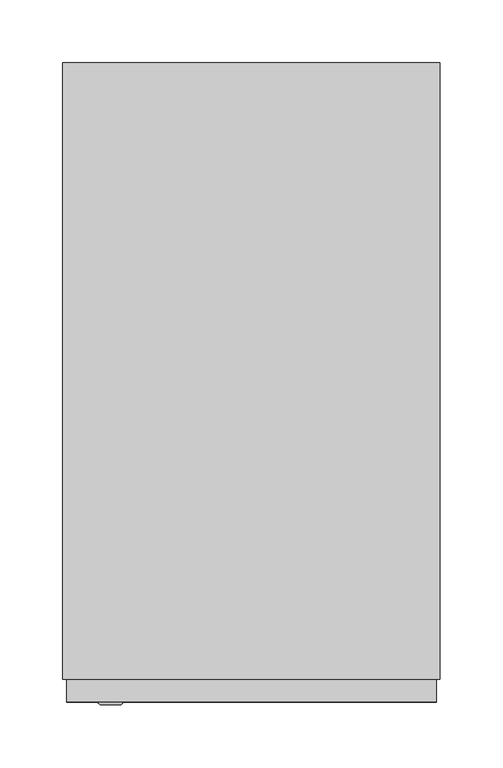
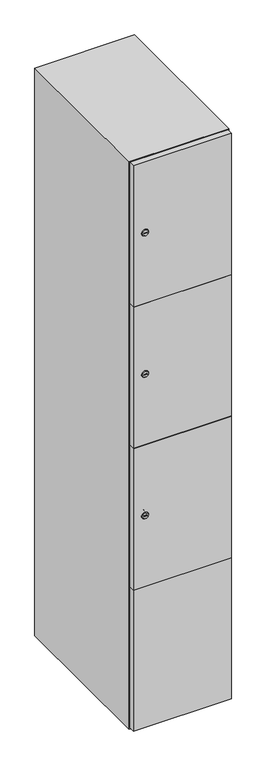
"""IFC4 building model written with IfcOpenShell, lengths in millimetres: furniture geometry."""

import ifcopenshell
import ifcopenshell.guid

model = None  # the IFC model being written
_history = None  # IfcOwnerHistory: only IFC2X3 demands one
_inside = {}  # id of a spatial element -> (the spatial element, [elements in it])
_under = {}  # id of a project, library or spatial element -> (it, [spatial elements below it])
_declared = {}  # id of a project -> (the project, [libraries it declares])
_typed = {}  # id of a type object -> (the type object, [elements of that type])
_made_of = {}  # id of a material, layer set ... -> (it, [elements and type objects made of it])


def new_model(schema):
    """Start an empty IFC model of exactly this schema.

    Asked for "IFC4X3", IfcOpenShell would pick the latest addendum, in which some entities
    have other attributes; the version numbers below select the first issue.
    IFC2X3 requires an IfcOwnerHistory on every rooted entity: one is made here for all.
    """
    global model, _history
    if schema == "IFC4X3":
        model = ifcopenshell.file(schema_version=(4, 3, 0, 0))
    else:
        model = ifcopenshell.file(schema=schema)
    _inside.clear()
    _under.clear()
    _declared.clear()
    _typed.clear()
    _made_of.clear()
    _history = None
    if model.schema == "IFC2X3":
        org = make("IfcOrganization", Name="unknown")
        user = make(
            "IfcPersonAndOrganization",
            ThePerson=make("IfcPerson", FamilyName="unknown"),
            TheOrganization=org,
        )
        app = make(
            "IfcApplication",
            ApplicationDeveloper=org,
            Version="unknown",
            ApplicationFullName="unknown",
            ApplicationIdentifier="unknown",
        )
        _history = make(
            "IfcOwnerHistory",
            OwningUser=user,
            OwningApplication=app,
            ChangeAction="ADDED",
            CreationDate=0,
        )
    return model


def make(cls, **values):
    """One entity of the class cls with the attributes given. An attribute that is None is left unset."""
    return model.create_entity(
        cls, **{name: value for name, value in values.items() if value is not None}
    )


def rooted(cls, **values):
    """An entity with a GlobalId (a new one), such as an element, a storey or a relation."""
    return make(cls, GlobalId=ifcopenshell.guid.new(), OwnerHistory=_history, **values)


def si_unit(unit_type, name, prefix=None):
    """IfcSIUnit, for example si_unit("LENGTHUNIT", "METRE", prefix="MILLI")."""
    return make("IfcSIUnit", UnitType=unit_type, Prefix=prefix, Name=name)


def assignment(units):
    """IfcUnitAssignment: the units of a project."""
    return None if units is None else make("IfcUnitAssignment", Units=units)


def point(xyz):
    """IfcCartesianPoint."""
    return None if xyz is None else make("IfcCartesianPoint", Coordinates=xyz)


def direction(xyz):
    """IfcDirection."""
    return None if xyz is None else make("IfcDirection", DirectionRatios=xyz)


def frame(location, z_axis=None, x_axis=None):
    """IfcAxis2Placement3D, a coordinate frame: its origin and axes. An axis left out is left unset."""
    return make(
        "IfcAxis2Placement3D",
        Location=point(location),
        Axis=direction(z_axis),
        RefDirection=direction(x_axis),
    )


def frame_2d(location, x_axis=None):
    """IfcAxis2Placement2D, a coordinate frame in the plane: its origin and x axis."""
    return make(
        "IfcAxis2Placement2D", Location=point(location), RefDirection=direction(x_axis)
    )


def origin():
    """The frame at (0, 0, 0) with its axes left unset."""
    return frame((0.0, 0.0, 0.0))


def place(relative_to, where):
    """IfcLocalPlacement: puts the frame where relative to a parent placement (None: the world)."""
    return make(
        "IfcLocalPlacement", PlacementRelTo=relative_to, RelativePlacement=where
    )


def context(
    kind, dimensions, precision=None, world=None, true_north=None, identifier=None
):
    """IfcGeometricRepresentationContext, for example the 3D "Model" context."""
    return make(
        "IfcGeometricRepresentationContext",
        ContextIdentifier=identifier,
        ContextType=kind,
        CoordinateSpaceDimension=dimensions,
        Precision=precision,
        WorldCoordinateSystem=world,
        TrueNorth=true_north,
    )


def project(units=None, contexts=None):
    """IfcProject with its units and contexts."""
    return rooted(
        "IfcProject",
        Name="project",
        RepresentationContexts=contexts,
        UnitsInContext=assignment(units),
    )


def spatial(cls, under=None, at=None, **own):
    """A site, building, storey or space (cls), placed at a placement, below another one or the project."""
    s = rooted(cls, ObjectPlacement=at, **own)
    if under is not None:
        _under.setdefault(under.id(), (under, []))[1].append(s)
    return s


def polyline(points):
    """IfcPolyline through the points."""
    return make("IfcPolyline", Points=[point(p) for p in points])


def circle_curve(where, radius):
    """IfcCircle in the frame where."""
    return make("IfcCircle", Position=where, Radius=radius)


def trimmed(basis, trim1, trim2, sense, master):
    """IfcTrimmedCurve: the piece of a basis curve between two trims."""
    return make(
        "IfcTrimmedCurve",
        BasisCurve=basis,
        Trim1=trim1,
        Trim2=trim2,
        SenseAgreement=sense,
        MasterRepresentation=master,
    )


def segment(curve, same_sense, transition):
    """IfcCompositeCurveSegment."""
    return make(
        "IfcCompositeCurveSegment",
        Transition=transition,
        SameSense=same_sense,
        ParentCurve=curve,
    )


def composite_curve(segments, self_intersect=None):
    """IfcCompositeCurve: segments joined end to end."""
    return make("IfcCompositeCurve", Segments=segments, SelfIntersect=self_intersect)


def outline(outer, holes=None, kind="AREA"):
    """IfcArbitraryClosedProfileDef: a profile drawn as a closed curve; with holes, ...WithVoids."""
    if holes is None:
        return make("IfcArbitraryClosedProfileDef", ProfileType=kind, OuterCurve=outer)
    return make(
        "IfcArbitraryProfileDefWithVoids",
        ProfileType=kind,
        OuterCurve=outer,
        InnerCurves=holes,
    )


def extrude(swept, where, along, depth):
    """IfcExtrudedAreaSolid: the profile swept, set in the frame where, extruded along a direction by depth."""
    return make(
        "IfcExtrudedAreaSolid",
        SweptArea=swept,
        Position=where,
        ExtrudedDirection=direction(along),
        Depth=depth,
    )


def faces_of(points, faces, orient=None, outer=None):
    """IfcFace entities. A face is a list of loops; a loop is a list of indices into points, from 0.

    orient and outer hold one flag for each loop. By default every Orientation is true, the
    first loop of a face is its IfcFaceOuterBound and the others are IfcFaceBound.
    """
    made = []
    for i, loops in enumerate(faces):
        bounds = []
        for j, loop in enumerate(loops):
            is_outer = j == 0 if outer is None else outer[i][j]
            bounds.append(
                make(
                    "IfcFaceOuterBound" if is_outer else "IfcFaceBound",
                    Bound=make("IfcPolyLoop", Polygon=[points[k] for k in loop]),
                    Orientation=True if orient is None else orient[i][j],
                )
            )
        made.append(make("IfcFace", Bounds=bounds))
    return made


def faceted_brep(points, faces, orient=None, outer=None, voids=None):
    """IfcFacetedBrep: a solid bounded by flat faces; with voids (closed shells), ...WithVoids."""
    shared = [point(p) for p in points]
    hull = make("IfcClosedShell", CfsFaces=faces_of(shared, faces, orient, outer))
    if voids is None:
        return make("IfcFacetedBrep", Outer=hull)
    return make(
        "IfcFacetedBrepWithVoids",
        Outer=hull,
        Voids=[
            make(cls, CfsFaces=faces_of(shared, fs, o, b)) for cls, fs, o, b in voids
        ],
    )


def shape(context_of_items, identifier, shape_type, items):
    """IfcShapeRepresentation: the items that make up one representation, for example the "Body"."""
    return make(
        "IfcShapeRepresentation",
        ContextOfItems=context_of_items,
        RepresentationIdentifier=identifier,
        RepresentationType=shape_type,
        Items=items,
    )


def source(mapping_origin, context_of_items, identifier, shape_type, items):
    """IfcRepresentationMap: a shape defined once, which mapped items show again and again."""
    return make(
        "IfcRepresentationMap",
        MappingOrigin=mapping_origin,
        MappedRepresentation=shape(context_of_items, identifier, shape_type, items),
    )


def transform(
    local_origin,
    x_axis=None,
    y_axis=None,
    z_axis=None,
    scale=None,
    scale2=None,
    scale3=None,
    uniform=True,
):
    """IfcCartesianTransformationOperator3D, or its non-uniform kind. x_axis, y_axis, z_axis: its Axis1, 2, 3."""
    if uniform:
        return make(
            "IfcCartesianTransformationOperator3D",
            Axis1=direction(x_axis),
            Axis2=direction(y_axis),
            LocalOrigin=point(local_origin),
            Scale=scale,
            Axis3=direction(z_axis),
        )
    return make(
        "IfcCartesianTransformationOperator3DnonUniform",
        Axis1=direction(x_axis),
        Axis2=direction(y_axis),
        LocalOrigin=point(local_origin),
        Scale=scale,
        Axis3=direction(z_axis),
        Scale2=scale2,
        Scale3=scale3,
    )


def mapped(mapping_source, mapping_target):
    """IfcMappedItem: shows the shape of a source again, moved by a transform."""
    return make(
        "IfcMappedItem", MappingSource=mapping_source, MappingTarget=mapping_target
    )


def made_of(thing, what):
    """Note that an element or type object is made of a material, layer set ...; save() writes the relation."""
    if what is not None:
        _made_of.setdefault(what.id(), (what, []))[1].append(thing)
    return thing


def element(
    cls,
    number,
    at=None,
    inside=None,
    cuts=None,
    type_object=None,
    material=None,
    context=None,
    identifier="Body",
    shape_type=None,
    held_by="IfcProductDefinitionShape",
    body=None,
    shapes=None,
    **own,
):
    """One element of the class cls, such as IfcWall. Its Tag is "e" and its number.

    at: its placement. inside: the storey or other place that contains it. cuts: it is an
    opening in that element (IfcRelVoidsElement). A single representation is given by context,
    identifier, shape_type and body (its items); several are given by shapes. held_by: the class
    of the entity that holds the representations. save() writes the other relations.
    """
    e = rooted(cls, Tag="e%d" % number, ObjectPlacement=at, **own)
    if body is not None:
        shapes = [shape(context, identifier, shape_type, body)]
    if shapes is not None:
        e.Representation = make(held_by, Representations=shapes)
    if inside is not None:
        _inside.setdefault(inside.id(), (inside, []))[1].append(e)
    if cuts is not None:
        rooted(
            "IfcRelVoidsElement", RelatingBuildingElement=cuts, RelatedOpeningElement=e
        )
    if type_object is not None:
        _typed.setdefault(type_object.id(), (type_object, []))[1].append(e)
    return made_of(e, material)


def aggregate(whole, parts):
    """IfcRelAggregates: a whole, such as a stair, and the parts it consists of."""
    return rooted("IfcRelAggregates", RelatingObject=whole, RelatedObjects=parts)


def save(model, path):
    """Write the relations noted so far, then the file.

    IfcRelAggregates (storeys below a building ...), IfcRelContainedInSpatialStructure (elements
    in a storey), IfcRelDefinesByType, IfcRelAssociatesMaterial and IfcRelDeclares: one each for
    every whole, place, type object, material and project.
    """
    for whole, parts in _under.values():
        aggregate(whole, parts)
    for where, things in _inside.values():
        rooted(
            "IfcRelContainedInSpatialStructure",
            RelatedElements=things,
            RelatingStructure=where,
        )
    for kind, things in _typed.values():
        rooted("IfcRelDefinesByType", RelatedObjects=things, RelatingType=kind)
    for what, things in _made_of.values():
        rooted("IfcRelAssociatesMaterial", RelatedObjects=things, RelatingMaterial=what)
    for by, libraries in _declared.values():
        rooted("IfcRelDeclares", RelatingContext=by, RelatedDefinitions=libraries)
    model.write(path)


def plane_surface(at):
    """IfcPlane: the flat surface through the origin of the frame at, square to its z axis."""
    return make("IfcPlane", Position=at)


def revolved_surface(curve, axis_point, axis_direction):
    """IfcSurfaceOfRevolution: the curve turned about the line through axis_point along axis_direction."""
    return make(
        "IfcSurfaceOfRevolution",
        SweptCurve=make("IfcArbitraryOpenProfileDef", ProfileType="CURVE", Curve=curve),
        AxisPosition=make("IfcAxis1Placement", Location=point(axis_point), Axis=direction(axis_direction)),
    )


def advanced_brep(points, edges, surfaces, faces):
    """IfcAdvancedBrep: a solid bounded by faces that lie on surfaces and meet in shared edges.

    An edge is (start, end): straight between two places in points (the first is 0);
    or (start, end, curve); or (start, end, curve, False) where it runs against its curve.
    A face is (place in surfaces, loops), or (place, loops, False) where it looks against
    its surface's normal. A loop lists edges by number (the first is 1), with a minus sign
    where the edge is run from its end to its start. The first loop is the outer one.
    """
    corners = [point(p) for p in points]
    vertices = [make("IfcVertexPoint", VertexGeometry=c) for c in corners]
    made = []
    for start, end, *more in edges:
        made.append(
            make(
                "IfcEdgeCurve",
                EdgeStart=vertices[start],
                EdgeEnd=vertices[end],
                EdgeGeometry=more[0] if more else make("IfcPolyline", Points=[corners[start], corners[end]]),
                SameSense=more[1] if len(more) > 1 else True,
            )
        )
    hull = []
    for where, loops, *sense in faces:
        bounds = []
        for j, loop in enumerate(loops):
            ring = [make("IfcOrientedEdge", EdgeElement=made[abs(k) - 1], Orientation=k > 0) for k in loop]
            bounds.append(
                make(
                    "IfcFaceOuterBound" if j == 0 else "IfcFaceBound",
                    Bound=make("IfcEdgeLoop", EdgeList=ring),
                    Orientation=True,
                )
            )
        hull.append(make("IfcAdvancedFace", Bounds=bounds, FaceSurface=surfaces[where], SameSense=sense[0] if sense else True))
    return make("IfcAdvancedBrep", Outer=make("IfcClosedShell", CfsFaces=hull))


def furniture_09066967(model_context):
    return source(origin(), model_context, "Body", "SolidModel", [
        extrude(outline(composite_curve([segment(trimmed(circle_curve(frame_2d((710.75, -188.7989466)), 7.0), [point((717.75, -188.7989466))], [point((703.75, -188.7989466))], False, "CARTESIAN"), True, "CONTINUOUS"), segment(polyline([(703.75, -188.7989466), (703.75, -160.7989466)]), True, "CONTINUOUS"), segment(trimmed(circle_curve(frame_2d((710.75, -160.7989466)), 7.0), [point((703.75, -160.7989466))], [point((717.75, -160.7989466))], False, "CARTESIAN"), True, "CONTINUOUS"), segment(polyline([(717.75, -160.7989466), (717.75, -188.7989466)]), True, "CONTINUOUS")], self_intersect=False)), frame((0.0, -245.0, 0.0), z_axis=(0.0, 1.0, 0.0), x_axis=(0.0, 0.0, 1.0)), (0.0, 0.0, 1.0), 2.0),
        advanced_brep(
        [(-153.5, -265.2, 710.75), (-170.5, -265.2, 710.75), (-167.0, -265.2, 709.5), (-167.0, -265.2, 712.0), (-157.0, -265.2, 712.0), (-157.0, -265.2, 709.5), (-151.5, -263.0, 710.75), (-172.5, -263.0, 710.75), (-167.0, -263.0, 712.0), (-167.0, -263.0, 709.5), (-157.0, -263.0, 709.5), (-157.0, -263.0, 712.0)],
        [
            (0, 1, circle_curve(frame((-162.0, -265.2, 710.75), z_axis=(0.0, -1.0, 0.0), x_axis=(1.0, 0.0, 0.0)), 8.5)),
            (1, 0, circle_curve(frame((-162.0, -265.2, 710.75), z_axis=(0.0, -1.0, 0.0), x_axis=(-1.0, 0.0, 0.0)), 8.5)),
            (2, 3),
            (3, 4),
            (4, 5),
            (5, 2),
            (6, 7, circle_curve(frame((-162.0, -263.0, 710.75), z_axis=(0.0, 1.0, 0.0), x_axis=(-1.0, 0.0, 0.0)), 10.5)),
            (7, 6, circle_curve(frame((-162.0, -263.0, 710.75), z_axis=(0.0, 1.0, 0.0), x_axis=(1.0, 0.0, 0.0)), 10.5)),
            (8, 9),
            (9, 10),
            (10, 11),
            (11, 8),
            (0, 6),
            (7, 1),
            (8, 3),
            (2, 9),
            (11, 4),
            (10, 5),
        ],
        [
            plane_surface(frame((-162.0, -265.2, 710.75), z_axis=(0.0, -1.0, 0.0), x_axis=(0.0, 0.0, 1.0))),
            plane_surface(frame((-162.0, -263.0, 710.75), z_axis=(0.0, 1.0, 0.0), x_axis=(0.0, 0.0, 1.0))),
            revolved_surface(polyline([(-153.5, -265.2, 710.75), (-151.5, -263.0, 710.75)]), (-162.0, -274.55, 710.75), (0.0, 1.0, 0.0)),
            revolved_surface(polyline([(-170.5, -265.2, 710.75), (-172.5, -263.0, 710.75)]), (-162.0, -274.55, 710.75), (0.0, 1.0, 0.0)),
            plane_surface(frame((-167.0, -263.0, 709.5), z_axis=(1.0, 0.0, 0.0), x_axis=(0.0, -1.0, 0.0))),
            plane_surface(frame((-167.0, -263.0, 712.0), z_axis=(0.0, 0.0, -1.0), x_axis=(0.0, -1.0, 0.0))),
            plane_surface(frame((-157.0, -263.0, 712.0), z_axis=(-1.0, 0.0, 0.0), x_axis=(0.0, -1.0, 0.0))),
            plane_surface(frame((-157.0, -263.0, 709.5), z_axis=(0.0, 0.0, 1.0), x_axis=(0.0, -1.0, 0.0))),
        ],
        [
            (0, [[1, 2], [3, 4, 5, 6]]),
            (1, [[7, 8], [9, 10, 11, 12]]),
            (2, [[-1, 13, -8, 14]]),
            (3, [[-2, -14, -7, -13]]),
            (4, [[15, -3, 16, -9]]),
            (5, [[-15, -12, 17, -4]]),
            (6, [[-17, -11, 18, -5]]),
            (7, [[-16, -6, -18, -10]]),
        ],
    ),
        extrude(outline(composite_curve([segment(trimmed(circle_curve(frame_2d((1159.25, -188.7989466)), 7.0), [point((1166.25, -188.7989466))], [point((1152.25, -188.7989466))], False, "CARTESIAN"), True, "CONTINUOUS"), segment(polyline([(1152.25, -188.7989466), (1152.25, -160.7989466)]), True, "CONTINUOUS"), segment(trimmed(circle_curve(frame_2d((1159.25, -160.7989466)), 7.0), [point((1152.25, -160.7989466))], [point((1166.25, -160.7989466))], False, "CARTESIAN"), True, "CONTINUOUS"), segment(polyline([(1166.25, -160.7989466), (1166.25, -188.7989466)]), True, "CONTINUOUS")], self_intersect=False)), frame((0.0, -245.0, 0.0), z_axis=(0.0, 1.0, 0.0), x_axis=(0.0, 0.0, 1.0)), (0.0, 0.0, 1.0), 2.0),
        advanced_brep(
        [(-153.5, -265.2, 1159.25), (-170.5, -265.2, 1159.25), (-167.0, -265.2, 1158.0), (-167.0, -265.2, 1160.5), (-157.0, -265.2, 1160.5), (-157.0, -265.2, 1158.0), (-151.5, -263.0, 1159.25), (-172.5, -263.0, 1159.25), (-167.0, -263.0, 1160.5), (-167.0, -263.0, 1158.0), (-157.0, -263.0, 1158.0), (-157.0, -263.0, 1160.5)],
        [
            (0, 1, circle_curve(frame((-162.0, -265.2, 1159.25), z_axis=(0.0, -1.0, 0.0), x_axis=(1.0, 0.0, 0.0)), 8.5)),
            (1, 0, circle_curve(frame((-162.0, -265.2, 1159.25), z_axis=(0.0, -1.0, 0.0), x_axis=(-1.0, 0.0, 0.0)), 8.5)),
            (2, 3),
            (3, 4),
            (4, 5),
            (5, 2),
            (6, 7, circle_curve(frame((-162.0, -263.0, 1159.25), z_axis=(0.0, 1.0, 0.0), x_axis=(-1.0, 0.0, 0.0)), 10.5)),
            (7, 6, circle_curve(frame((-162.0, -263.0, 1159.25), z_axis=(0.0, 1.0, 0.0), x_axis=(1.0, 0.0, 0.0)), 10.5)),
            (8, 9),
            (9, 10),
            (10, 11),
            (11, 8),
            (0, 6),
            (7, 1),
            (8, 3),
            (2, 9),
            (11, 4),
            (10, 5),
        ],
        [
            plane_surface(frame((-162.0, -265.2, 1159.25), z_axis=(0.0, -1.0, 0.0), x_axis=(0.0, 0.0, 1.0))),
            plane_surface(frame((-162.0, -263.0, 1159.25), z_axis=(0.0, 1.0, 0.0), x_axis=(0.0, 0.0, 1.0))),
            revolved_surface(polyline([(-153.5, -265.2, 1159.25), (-151.5, -263.0, 1159.25)]), (-162.0, -274.55, 1159.25), (0.0, 1.0, 0.0)),
            revolved_surface(polyline([(-170.5, -265.2, 1159.25), (-172.5, -263.0, 1159.25)]), (-162.0, -274.55, 1159.25), (0.0, 1.0, 0.0)),
            plane_surface(frame((-167.0, -263.0, 1158.0), z_axis=(1.0, 0.0, 0.0), x_axis=(0.0, -1.0, 0.0))),
            plane_surface(frame((-167.0, -263.0, 1160.5), z_axis=(0.0, 0.0, -1.0), x_axis=(0.0, -1.0, 0.0))),
            plane_surface(frame((-157.0, -263.0, 1160.5), z_axis=(-1.0, 0.0, 0.0), x_axis=(0.0, -1.0, 0.0))),
            plane_surface(frame((-157.0, -263.0, 1158.0), z_axis=(0.0, 0.0, 1.0), x_axis=(0.0, -1.0, 0.0))),
        ],
        [
            (0, [[1, 2], [3, 4, 5, 6]]),
            (1, [[7, 8], [9, 10, 11, 12]]),
            (2, [[-1, 13, -8, 14]]),
            (3, [[-2, -14, -7, -13]]),
            (4, [[15, -3, 16, -9]]),
            (5, [[-15, -12, 17, -4]]),
            (6, [[-17, -11, 18, -5]]),
            (7, [[-16, -6, -18, -10]]),
        ],
    ),
        extrude(outline(composite_curve([segment(trimmed(circle_curve(frame_2d((1607.75, -188.7989466)), 7.0), [point((1614.75, -188.7989466))], [point((1600.75, -188.7989466))], False, "CARTESIAN"), True, "CONTINUOUS"), segment(polyline([(1600.75, -188.7989466), (1600.75, -160.7989466)]), True, "CONTINUOUS"), segment(trimmed(circle_curve(frame_2d((1607.75, -160.7989466)), 7.0), [point((1600.75, -160.7989466))], [point((1614.75, -160.7989466))], False, "CARTESIAN"), True, "CONTINUOUS"), segment(polyline([(1614.75, -160.7989466), (1614.75, -188.7989466)]), True, "CONTINUOUS")], self_intersect=False)), frame((0.0, -245.0, 0.0), z_axis=(0.0, 1.0, 0.0), x_axis=(0.0, 0.0, 1.0)), (0.0, 0.0, 1.0), 2.0),
        advanced_brep(
        [(-153.5, -265.2, 1607.75), (-170.5, -265.2, 1607.75), (-167.0, -265.2, 1606.5), (-167.0, -265.2, 1609.0), (-157.0, -265.2, 1609.0), (-157.0, -265.2, 1606.5), (-151.5, -263.0, 1607.75), (-172.5, -263.0, 1607.75), (-167.0, -263.0, 1609.0), (-167.0, -263.0, 1606.5), (-157.0, -263.0, 1606.5), (-157.0, -263.0, 1609.0)],
        [
            (0, 1, circle_curve(frame((-162.0, -265.2, 1607.75), z_axis=(0.0, -1.0, 0.0), x_axis=(1.0, 0.0, 0.0)), 8.5)),
            (1, 0, circle_curve(frame((-162.0, -265.2, 1607.75), z_axis=(0.0, -1.0, 0.0), x_axis=(-1.0, 0.0, 0.0)), 8.5)),
            (2, 3),
            (3, 4),
            (4, 5),
            (5, 2),
            (6, 7, circle_curve(frame((-162.0, -263.0, 1607.75), z_axis=(0.0, 1.0, 0.0), x_axis=(-1.0, 0.0, 0.0)), 10.5)),
            (7, 6, circle_curve(frame((-162.0, -263.0, 1607.75), z_axis=(0.0, 1.0, 0.0), x_axis=(1.0, 0.0, 0.0)), 10.5)),
            (8, 9),
            (9, 10),
            (10, 11),
            (11, 8),
            (0, 6),
            (7, 1),
            (8, 3),
            (2, 9),
            (11, 4),
            (10, 5),
        ],
        [
            plane_surface(frame((-162.0, -265.2, 1607.75), z_axis=(0.0, -1.0, 0.0), x_axis=(0.0, 0.0, 1.0))),
            plane_surface(frame((-162.0, -263.0, 1607.75), z_axis=(0.0, 1.0, 0.0), x_axis=(0.0, 0.0, 1.0))),
            revolved_surface(polyline([(-153.5, -265.2, 1607.75), (-151.5, -263.0, 1607.75)]), (-162.0, -274.55, 1607.75), (0.0, 1.0, 0.0)),
            revolved_surface(polyline([(-170.5, -265.2, 1607.75), (-172.5, -263.0, 1607.75)]), (-162.0, -274.55, 1607.75), (0.0, 1.0, 0.0)),
            plane_surface(frame((-167.0, -263.0, 1606.5), z_axis=(1.0, 0.0, 0.0), x_axis=(0.0, -1.0, 0.0))),
            plane_surface(frame((-167.0, -263.0, 1609.0), z_axis=(0.0, 0.0, -1.0), x_axis=(0.0, -1.0, 0.0))),
            plane_surface(frame((-157.0, -263.0, 1609.0), z_axis=(-1.0, 0.0, 0.0), x_axis=(0.0, -1.0, 0.0))),
            plane_surface(frame((-157.0, -263.0, 1606.5), z_axis=(0.0, 0.0, 1.0), x_axis=(0.0, -1.0, 0.0))),
        ],
        [
            (0, [[1, 2], [3, 4, 5, 6]]),
            (1, [[7, 8], [9, 10, 11, 12]]),
            (2, [[-1, 13, -8, 14]]),
            (3, [[-2, -14, -7, -13]]),
            (4, [[15, -3, 16, -9]]),
            (5, [[-15, -12, 17, -4]]),
            (6, [[-17, -11, 18, -5]]),
            (7, [[-16, -6, -18, -10]]),
        ],
    ),
        extrude(outline(polyline([(97.0, -245.0), (97.0, -263.0), (-197.0, -263.0), (-197.0, -245.0), (97.0, -245.0)])), frame((0.0, 0.0, 486.0), z_axis=(0.0, 0.0, 1.0), x_axis=(1.0, 0.0, 0.0)), (0.0, 0.0, 1.0), 448.5),
        extrude(outline(polyline([(97.0, -245.0), (97.0, -263.0), (-197.0, -263.0), (-197.0, -245.0), (97.0, -245.0)])), frame((0.0, 0.0, 935.5), z_axis=(0.0, 0.0, 1.0), x_axis=(1.0, 0.0, 0.0)), (0.0, 0.0, 1.0), 447.5),
        extrude(outline(polyline([(-197.0, -263.0), (-197.0, -245.0), (97.0, -245.0), (97.0, -263.0), (-197.0, -263.0)])), frame((0.0, 0.0, 1384.0), z_axis=(0.0, 0.0, 1.0), x_axis=(1.0, 0.0, 0.0)), (0.0, 0.0, 1.0), 448.0),
        extrude(outline(polyline([(97.0, -245.0), (97.0, -263.0), (-197.0, -263.0), (-197.0, -245.0), (97.0, -245.0)])), frame((0.0, 0.0, 38.0), z_axis=(0.0, 0.0, 1.0), x_axis=(1.0, 0.0, 0.0)), (0.0, 0.0, 1.0), 449.0),
        extrude(outline(polyline([(79.6, 242.0), (79.6, -227.0), (-179.6, -227.0), (-179.6, 242.0), (79.6, 242.0)])), frame((0.0, 0.0, 1359.7), z_axis=(0.0, 0.0, 1.0), x_axis=(1.0, 0.0, 0.0)), (0.0, 0.0, 1.0), 20.4),
        extrude(outline(polyline([(79.6, 242.0), (79.6, -227.0), (-179.6, -227.0), (-179.6, 242.0), (79.6, 242.0)])), frame((0.0, 0.0, 924.8), z_axis=(0.0, 0.0, 1.0), x_axis=(1.0, 0.0, 0.0)), (0.0, 0.0, 1.0), 20.4),
        extrude(outline(polyline([(79.6, 242.0), (79.6, -227.0), (-179.6, -227.0), (-179.6, 242.0), (79.6, 242.0)])), frame((0.0, 0.0, 489.9), z_axis=(0.0, 0.0, 1.0), x_axis=(1.0, 0.0, 0.0)), (0.0, 0.0, 1.0), 20.4),
        faceted_brep([(100.0, -245.0, 35.0), (100.0, -245.0, 1835.0), (-200.0, -245.0, 1835.0), (-200.0, -245.0, 35.0), (79.6, -245.0, 1804.8), (79.6, -245.0, 65.2), (-179.6, -245.0, 65.2), (-179.6, -245.0, 1804.8), (100.0, 245.0, 35.0), (-200.0, 245.0, 35.0), (100.0, 245.0, 1835.0), (-200.0, 245.0, 1835.0), (79.6, 242.0, 1804.8), (79.6, 242.0, 65.2), (-200.0, 245.0, 1804.8), (-179.6, 242.0, 1804.8), (-179.6, 242.0, 65.2)], [[[0, 1, 2, 3], [4, 5, 6, 7]], [[8, 0, 3, 9]], [[1, 0, 8, 10]], [[1, 10, 11, 2]], [[4, 12, 13, 5]], [[9, 3, 2, 11, 14]], [[10, 8, 9, 14, 11]], [[12, 15, 16, 13]], [[15, 7, 6, 16]], [[4, 7, 15, 12]], [[6, 5, 13, 16]]]),
    ])


if __name__ == "__main__":
    model = new_model("IFC4")
    model_context = context("Model", 3, world=origin())
    ifc_project = project(units=[si_unit("LENGTHUNIT", "METRE", prefix="MILLI")], contexts=[model_context])
    site = spatial("IfcSite", under=ifc_project)
    building = spatial("IfcBuilding", under=site)
    placement = place(None, origin())
    furniture_shape = furniture_09066967(model_context)
    element("IfcFurniture", 1, at=placement, inside=building, context=model_context, shape_type="MappedRepresentation", body=[
        mapped(furniture_shape, transform((0.0, 0.0, 0.0), x_axis=(1.0, 0.0, 0.0), y_axis=(0.0, 1.0, 0.0), z_axis=(0.0, 0.0, 1.0))),
    ])
    save(model, "model.ifc")
